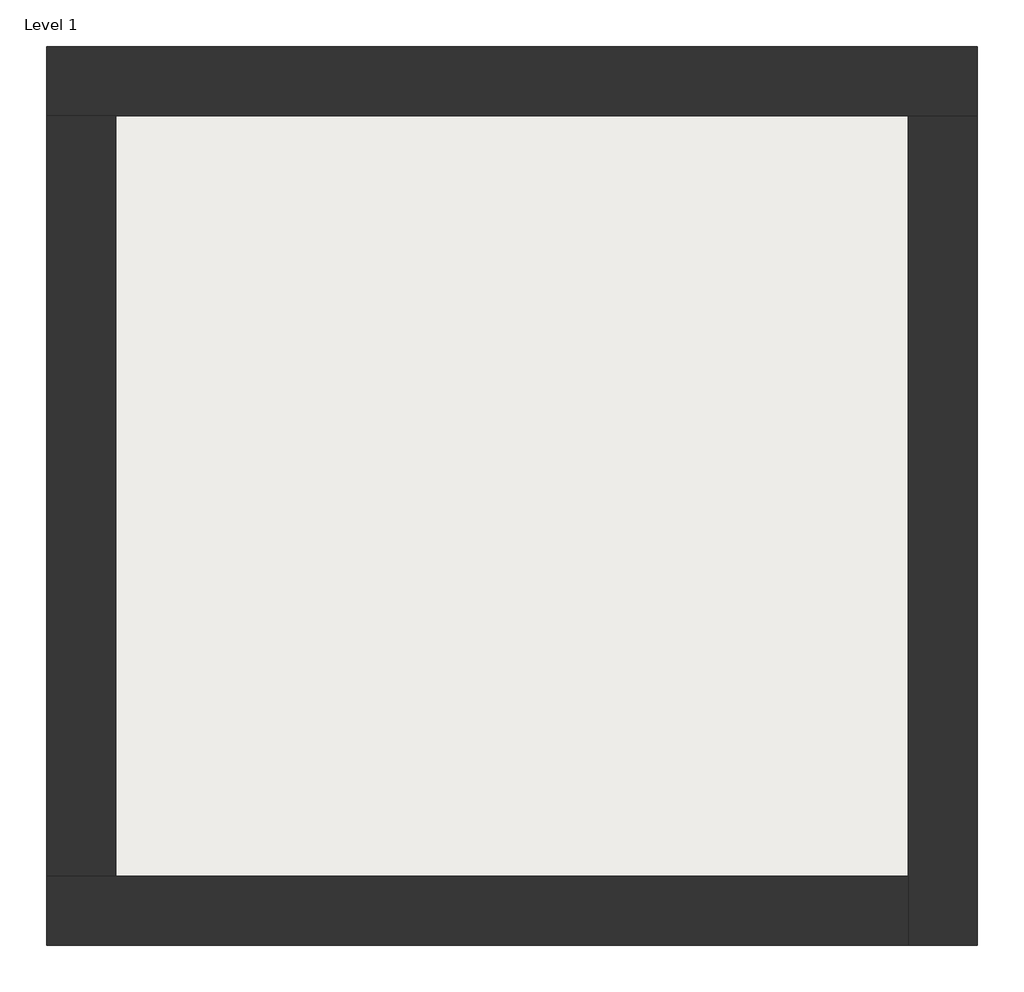
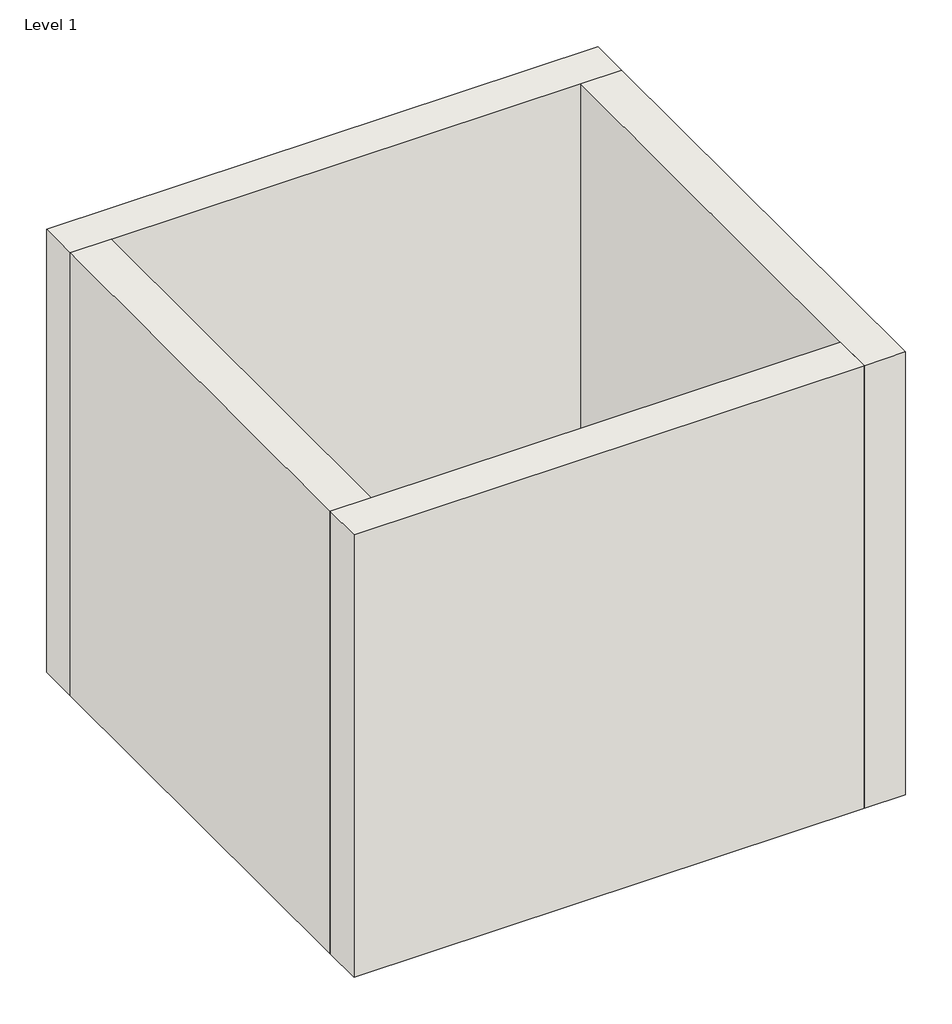
# One storey: 4 walls, 1 slab.
"""IFC4 building model written with IfcOpenShell, lengths in millimetres."""

from ifc_helpers import new_model, si_unit, frame, origin, origin_with_axes, place, context, project, spatial, polyline, outline, extrude, faceted_brep, element, save

model = new_model("IFC4")

# Units and contexts
model_context = context("Model", 3, world=origin())
ifc_project = project(units=[si_unit("LENGTHUNIT", "METRE", prefix="MILLI")], contexts=[model_context])

# Site, building, storey
site = spatial("IfcSite", under=ifc_project)
building = spatial("IfcBuilding", under=site)
storey = spatial("IfcBuildingStorey", under=building, Name="Level 1", Elevation=0.0)

# Slab
placement = place(None, origin())
element("IfcSlab", 1, at=placement, inside=storey, context=model_context, shape_type="SweptSolid", body=[
    extrude(outline(polyline([(-10869.3573003, 6934.2750283), (-10869.3573003, 3058.2750283), (-14907.8573003, 3058.2750283), (-14907.8573003, 6934.2750283), (-10869.3573003, 6934.2750283)])), frame((0.0, 0.0, 5.0), z_axis=(0.0, 0.0, 1.0), x_axis=(1.0, 0.0, 0.0)), (0.0, 0.0, 1.0), 40.0),
])

# Walls
element("IfcWall", 2, ObjectType="Exterior - Brick on Mtl. Stud", at=placement, inside=storey, context=model_context, shape_type="Brep", body=[
    faceted_brep([(-15244.8573003, 6921.2750283, 0.0), (-14894.8573003, 6921.2750283, 0.0), (-10882.3573003, 6921.2750283, 0.0), (-10532.3573003, 6921.2750283, 0.0), (-10532.3573003, 6921.2750283, 4000.0), (-10882.3573003, 6921.2750283, 4000.0), (-14894.8573003, 6921.2750283, 4000.0), (-15244.8573003, 6921.2750283, 4000.0), (-15244.8573003, 7271.2750283, 0.0), (-15244.8573003, 7271.2750283, 4000.0), (-10532.3573003, 7271.2750283, 4000.0), (-10532.3573003, 7271.2750283, 0.0)], [[[0, 1, 2, 3, 4, 5, 6, 7]], [[8, 9, 10, 11]], [[3, 2, 1, 0, 8, 11]], [[7, 6, 5, 4, 10, 9]], [[0, 7, 9, 8]], [[4, 3, 11, 10]]]),
])
element("IfcWall", 3, ObjectType="Exterior - Brick on Mtl. Stud", at=placement, inside=storey, context=model_context, shape_type="Brep", body=[
    faceted_brep([(-10882.3573003, 6921.2750283, 0.0), (-10882.3573003, 3071.2750283, 0.0), (-10882.3573003, 2721.2750283, 0.0), (-10882.3573003, 2721.2750283, 4000.0), (-10882.3573003, 3071.2750283, 4000.0), (-10882.3573003, 6921.2750283, 4000.0), (-10532.3573003, 6921.2750283, 0.0), (-10532.3573003, 6921.2750283, 4000.0), (-10532.3573003, 2721.2750283, 4000.0), (-10532.3573003, 2721.2750283, 0.0)], [[[0, 1, 2, 3, 4, 5]], [[6, 7, 8, 9]], [[2, 1, 0, 6, 9]], [[5, 4, 3, 8, 7]], [[3, 2, 9, 8]], [[0, 5, 7, 6]]]),
])
element("IfcWall", 4, ObjectType="Exterior - Brick on Mtl. Stud", at=placement, inside=storey, context=model_context, shape_type="Brep", body=[
    faceted_brep([(-10882.3573003, 3071.2750283, 0.0), (-14894.8573003, 3071.2750283, 0.0), (-15244.8573003, 3071.2750283, 0.0), (-15244.8573003, 3071.2750283, 4000.0), (-14894.8573003, 3071.2750283, 4000.0), (-10882.3573003, 3071.2750283, 4000.0), (-10882.3573003, 2721.2750283, 0.0), (-10882.3573003, 2721.2750283, 4000.0), (-15244.8573003, 2721.2750283, 4000.0), (-15244.8573003, 2721.2750283, 0.0)], [[[0, 1, 2, 3, 4, 5]], [[6, 7, 8, 9]], [[2, 1, 0, 6, 9]], [[5, 4, 3, 8, 7]], [[3, 2, 9, 8]], [[0, 5, 7, 6]]]),
])
element("IfcWall", 5, ObjectType="Exterior - Brick on Mtl. Stud", at=placement, inside=storey, context=model_context, shape_type="SweptSolid", body=[
    extrude(outline(polyline([(-14894.8573003, 6921.2750283), (-14894.8573003, 3071.2750283), (-15244.8573003, 3071.2750283), (-15244.8573003, 6921.2750283), (-14894.8573003, 6921.2750283)])), origin_with_axes(), (0.0, 0.0, 1.0), 4000.0),
])

save(model, "model.ifc")
